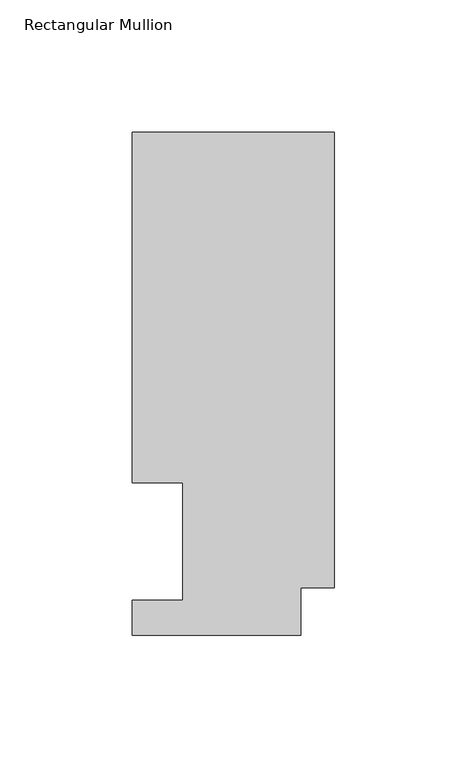
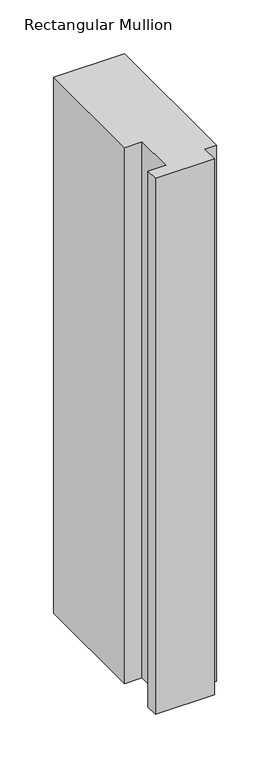
"""IFC4 building model written with IfcOpenShell, lengths in millimetres: member geometry, Rectangular Mullion."""

import ifcopenshell
import ifcopenshell.guid

model = None  # the IFC model being written
_history = None  # IfcOwnerHistory: only IFC2X3 demands one
_inside = {}  # id of a spatial element -> (the spatial element, [elements in it])
_under = {}  # id of a project, library or spatial element -> (it, [spatial elements below it])
_declared = {}  # id of a project -> (the project, [libraries it declares])
_typed = {}  # id of a type object -> (the type object, [elements of that type])
_made_of = {}  # id of a material, layer set ... -> (it, [elements and type objects made of it])


def new_model(schema):
    """Start an empty IFC model of exactly this schema.

    Asked for "IFC4X3", IfcOpenShell would pick the latest addendum, in which some entities
    have other attributes; the version numbers below select the first issue.
    IFC2X3 requires an IfcOwnerHistory on every rooted entity: one is made here for all.
    """
    global model, _history
    if schema == "IFC4X3":
        model = ifcopenshell.file(schema_version=(4, 3, 0, 0))
    else:
        model = ifcopenshell.file(schema=schema)
    _inside.clear()
    _under.clear()
    _declared.clear()
    _typed.clear()
    _made_of.clear()
    _history = None
    if model.schema == "IFC2X3":
        org = make("IfcOrganization", Name="unknown")
        user = make(
            "IfcPersonAndOrganization",
            ThePerson=make("IfcPerson", FamilyName="unknown"),
            TheOrganization=org,
        )
        app = make(
            "IfcApplication",
            ApplicationDeveloper=org,
            Version="unknown",
            ApplicationFullName="unknown",
            ApplicationIdentifier="unknown",
        )
        _history = make(
            "IfcOwnerHistory",
            OwningUser=user,
            OwningApplication=app,
            ChangeAction="ADDED",
            CreationDate=0,
        )
    return model


def make(cls, **values):
    """One entity of the class cls with the attributes given. An attribute that is None is left unset."""
    return model.create_entity(
        cls, **{name: value for name, value in values.items() if value is not None}
    )


def rooted(cls, **values):
    """An entity with a GlobalId (a new one), such as an element, a storey or a relation."""
    return make(cls, GlobalId=ifcopenshell.guid.new(), OwnerHistory=_history, **values)


def si_unit(unit_type, name, prefix=None):
    """IfcSIUnit, for example si_unit("LENGTHUNIT", "METRE", prefix="MILLI")."""
    return make("IfcSIUnit", UnitType=unit_type, Prefix=prefix, Name=name)


def assignment(units):
    """IfcUnitAssignment: the units of a project."""
    return None if units is None else make("IfcUnitAssignment", Units=units)


def point(xyz):
    """IfcCartesianPoint."""
    return None if xyz is None else make("IfcCartesianPoint", Coordinates=xyz)


def direction(xyz):
    """IfcDirection."""
    return None if xyz is None else make("IfcDirection", DirectionRatios=xyz)


def frame(location, z_axis=None, x_axis=None):
    """IfcAxis2Placement3D, a coordinate frame: its origin and axes. An axis left out is left unset."""
    return make(
        "IfcAxis2Placement3D",
        Location=point(location),
        Axis=direction(z_axis),
        RefDirection=direction(x_axis),
    )


def origin():
    """The frame at (0, 0, 0) with its axes left unset."""
    return frame((0.0, 0.0, 0.0))


def place(relative_to, where):
    """IfcLocalPlacement: puts the frame where relative to a parent placement (None: the world)."""
    return make(
        "IfcLocalPlacement", PlacementRelTo=relative_to, RelativePlacement=where
    )


def context(
    kind, dimensions, precision=None, world=None, true_north=None, identifier=None
):
    """IfcGeometricRepresentationContext, for example the 3D "Model" context."""
    return make(
        "IfcGeometricRepresentationContext",
        ContextIdentifier=identifier,
        ContextType=kind,
        CoordinateSpaceDimension=dimensions,
        Precision=precision,
        WorldCoordinateSystem=world,
        TrueNorth=true_north,
    )


def project(units=None, contexts=None):
    """IfcProject with its units and contexts."""
    return rooted(
        "IfcProject",
        Name="project",
        RepresentationContexts=contexts,
        UnitsInContext=assignment(units),
    )


def spatial(cls, under=None, at=None, **own):
    """A site, building, storey or space (cls), placed at a placement, below another one or the project."""
    s = rooted(cls, ObjectPlacement=at, **own)
    if under is not None:
        _under.setdefault(under.id(), (under, []))[1].append(s)
    return s


def polyline(points):
    """IfcPolyline through the points."""
    return make("IfcPolyline", Points=[point(p) for p in points])


def outline(outer, holes=None, kind="AREA"):
    """IfcArbitraryClosedProfileDef: a profile drawn as a closed curve; with holes, ...WithVoids."""
    if holes is None:
        return make("IfcArbitraryClosedProfileDef", ProfileType=kind, OuterCurve=outer)
    return make(
        "IfcArbitraryProfileDefWithVoids",
        ProfileType=kind,
        OuterCurve=outer,
        InnerCurves=holes,
    )


def extrude(swept, where, along, depth):
    """IfcExtrudedAreaSolid: the profile swept, set in the frame where, extruded along a direction by depth."""
    return make(
        "IfcExtrudedAreaSolid",
        SweptArea=swept,
        Position=where,
        ExtrudedDirection=direction(along),
        Depth=depth,
    )


def shape(context_of_items, identifier, shape_type, items):
    """IfcShapeRepresentation: the items that make up one representation, for example the "Body"."""
    return make(
        "IfcShapeRepresentation",
        ContextOfItems=context_of_items,
        RepresentationIdentifier=identifier,
        RepresentationType=shape_type,
        Items=items,
    )


def source(mapping_origin, context_of_items, identifier, shape_type, items):
    """IfcRepresentationMap: a shape defined once, which mapped items show again and again."""
    return make(
        "IfcRepresentationMap",
        MappingOrigin=mapping_origin,
        MappedRepresentation=shape(context_of_items, identifier, shape_type, items),
    )


def transform(
    local_origin,
    x_axis=None,
    y_axis=None,
    z_axis=None,
    scale=None,
    scale2=None,
    scale3=None,
    uniform=True,
):
    """IfcCartesianTransformationOperator3D, or its non-uniform kind. x_axis, y_axis, z_axis: its Axis1, 2, 3."""
    if uniform:
        return make(
            "IfcCartesianTransformationOperator3D",
            Axis1=direction(x_axis),
            Axis2=direction(y_axis),
            LocalOrigin=point(local_origin),
            Scale=scale,
            Axis3=direction(z_axis),
        )
    return make(
        "IfcCartesianTransformationOperator3DnonUniform",
        Axis1=direction(x_axis),
        Axis2=direction(y_axis),
        LocalOrigin=point(local_origin),
        Scale=scale,
        Axis3=direction(z_axis),
        Scale2=scale2,
        Scale3=scale3,
    )


def mapped(mapping_source, mapping_target):
    """IfcMappedItem: shows the shape of a source again, moved by a transform."""
    return make(
        "IfcMappedItem", MappingSource=mapping_source, MappingTarget=mapping_target
    )


def made_of(thing, what):
    """Note that an element or type object is made of a material, layer set ...; save() writes the relation."""
    if what is not None:
        _made_of.setdefault(what.id(), (what, []))[1].append(thing)
    return thing


def element(
    cls,
    number,
    at=None,
    inside=None,
    cuts=None,
    type_object=None,
    material=None,
    context=None,
    identifier="Body",
    shape_type=None,
    held_by="IfcProductDefinitionShape",
    body=None,
    shapes=None,
    **own,
):
    """One element of the class cls, such as IfcWall. Its Tag is "e" and its number.

    at: its placement. inside: the storey or other place that contains it. cuts: it is an
    opening in that element (IfcRelVoidsElement). A single representation is given by context,
    identifier, shape_type and body (its items); several are given by shapes. held_by: the class
    of the entity that holds the representations. save() writes the other relations.
    """
    e = rooted(cls, Tag="e%d" % number, ObjectPlacement=at, **own)
    if body is not None:
        shapes = [shape(context, identifier, shape_type, body)]
    if shapes is not None:
        e.Representation = make(held_by, Representations=shapes)
    if inside is not None:
        _inside.setdefault(inside.id(), (inside, []))[1].append(e)
    if cuts is not None:
        rooted(
            "IfcRelVoidsElement", RelatingBuildingElement=cuts, RelatedOpeningElement=e
        )
    if type_object is not None:
        _typed.setdefault(type_object.id(), (type_object, []))[1].append(e)
    return made_of(e, material)


def aggregate(whole, parts):
    """IfcRelAggregates: a whole, such as a stair, and the parts it consists of."""
    return rooted("IfcRelAggregates", RelatingObject=whole, RelatedObjects=parts)


def save(model, path):
    """Write the relations noted so far, then the file.

    IfcRelAggregates (storeys below a building ...), IfcRelContainedInSpatialStructure (elements
    in a storey), IfcRelDefinesByType, IfcRelAssociatesMaterial and IfcRelDeclares: one each for
    every whole, place, type object, material and project.
    """
    for whole, parts in _under.values():
        aggregate(whole, parts)
    for where, things in _inside.values():
        rooted(
            "IfcRelContainedInSpatialStructure",
            RelatedElements=things,
            RelatingStructure=where,
        )
    for kind, things in _typed.values():
        rooted("IfcRelDefinesByType", RelatedObjects=things, RelatingType=kind)
    for what, things in _made_of.values():
        rooted("IfcRelAssociatesMaterial", RelatedObjects=things, RelatingMaterial=what)
    for by, libraries in _declared.values():
        rooted("IfcRelDeclares", RelatingContext=by, RelatedDefinitions=libraries)
    model.write(path)


def rectangular_mullion_687b589e(model_context):
    return source(origin(), model_context, "Body", "SweptSolid", [
        extrude(outline(polyline([(0.0, 189.8022938), (0.0, 17.9712938), (-12.7, 17.9712938), (-12.7, 0.0134938), (-76.2, 0.0134938), (-76.2, 13.1960938), (-57.15, 13.1960938), (-57.15, 57.6460937), (-76.2, 57.6460938), (-76.2, 189.8022938), (0.0, 189.8022938)])), frame((0.0, 0.0, -609.56825), z_axis=(0.0, 0.0, 1.0), x_axis=(1.0, 0.0, 0.0)), (0.0, 0.0, 1.0), 609.56825),
    ])


if __name__ == "__main__":
    model = new_model("IFC4")
    model_context = context("Model", 3, world=origin())
    ifc_project = project(units=[si_unit("LENGTHUNIT", "METRE", prefix="MILLI")], contexts=[model_context])
    site = spatial("IfcSite", under=ifc_project)
    building = spatial("IfcBuilding", under=site)
    placement = place(None, origin())
    rectangular_mullion_shape = rectangular_mullion_687b589e(model_context)
    element("IfcMember", 1, ObjectType="Rectangular Mullion", at=placement, inside=building, context=model_context, shape_type="MappedRepresentation", body=[
        mapped(rectangular_mullion_shape, transform((0.0, 0.0, 0.0), x_axis=(1.0, 0.0, 0.0), y_axis=(0.0, 1.0, 0.0), z_axis=(0.0, 0.0, 1.0))),
    ])
    save(model, "model.ifc")
